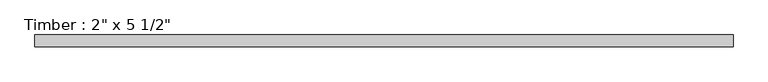
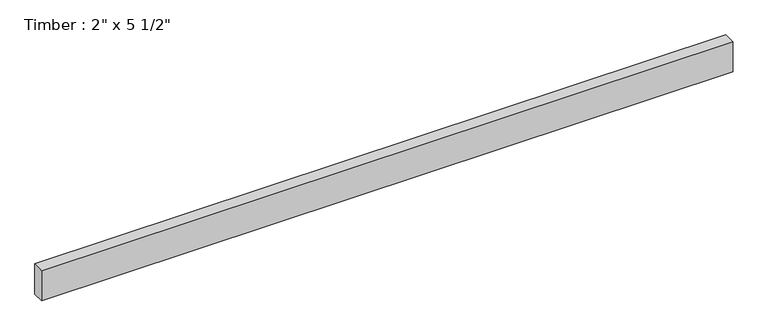
"""IFC4 building model written with IfcOpenShell, lengths in millimetres: beam geometry."""

import ifcopenshell
import ifcopenshell.guid

model = None  # the IFC model being written
_history = None  # IfcOwnerHistory: only IFC2X3 demands one
_inside = {}  # id of a spatial element -> (the spatial element, [elements in it])
_under = {}  # id of a project, library or spatial element -> (it, [spatial elements below it])
_declared = {}  # id of a project -> (the project, [libraries it declares])
_typed = {}  # id of a type object -> (the type object, [elements of that type])
_made_of = {}  # id of a material, layer set ... -> (it, [elements and type objects made of it])


def new_model(schema):
    """Start an empty IFC model of exactly this schema.

    Asked for "IFC4X3", IfcOpenShell would pick the latest addendum, in which some entities
    have other attributes; the version numbers below select the first issue.
    IFC2X3 requires an IfcOwnerHistory on every rooted entity: one is made here for all.
    """
    global model, _history
    if schema == "IFC4X3":
        model = ifcopenshell.file(schema_version=(4, 3, 0, 0))
    else:
        model = ifcopenshell.file(schema=schema)
    _inside.clear()
    _under.clear()
    _declared.clear()
    _typed.clear()
    _made_of.clear()
    _history = None
    if model.schema == "IFC2X3":
        org = make("IfcOrganization", Name="unknown")
        user = make(
            "IfcPersonAndOrganization",
            ThePerson=make("IfcPerson", FamilyName="unknown"),
            TheOrganization=org,
        )
        app = make(
            "IfcApplication",
            ApplicationDeveloper=org,
            Version="unknown",
            ApplicationFullName="unknown",
            ApplicationIdentifier="unknown",
        )
        _history = make(
            "IfcOwnerHistory",
            OwningUser=user,
            OwningApplication=app,
            ChangeAction="ADDED",
            CreationDate=0,
        )
    return model


def make(cls, **values):
    """One entity of the class cls with the attributes given. An attribute that is None is left unset."""
    return model.create_entity(
        cls, **{name: value for name, value in values.items() if value is not None}
    )


def rooted(cls, **values):
    """An entity with a GlobalId (a new one), such as an element, a storey or a relation."""
    return make(cls, GlobalId=ifcopenshell.guid.new(), OwnerHistory=_history, **values)


def si_unit(unit_type, name, prefix=None):
    """IfcSIUnit, for example si_unit("LENGTHUNIT", "METRE", prefix="MILLI")."""
    return make("IfcSIUnit", UnitType=unit_type, Prefix=prefix, Name=name)


def assignment(units):
    """IfcUnitAssignment: the units of a project."""
    return None if units is None else make("IfcUnitAssignment", Units=units)


def point(xyz):
    """IfcCartesianPoint."""
    return None if xyz is None else make("IfcCartesianPoint", Coordinates=xyz)


def direction(xyz):
    """IfcDirection."""
    return None if xyz is None else make("IfcDirection", DirectionRatios=xyz)


def frame(location, z_axis=None, x_axis=None):
    """IfcAxis2Placement3D, a coordinate frame: its origin and axes. An axis left out is left unset."""
    return make(
        "IfcAxis2Placement3D",
        Location=point(location),
        Axis=direction(z_axis),
        RefDirection=direction(x_axis),
    )


def origin():
    """The frame at (0, 0, 0) with its axes left unset."""
    return frame((0.0, 0.0, 0.0))


def place(relative_to, where):
    """IfcLocalPlacement: puts the frame where relative to a parent placement (None: the world)."""
    return make(
        "IfcLocalPlacement", PlacementRelTo=relative_to, RelativePlacement=where
    )


def context(
    kind, dimensions, precision=None, world=None, true_north=None, identifier=None
):
    """IfcGeometricRepresentationContext, for example the 3D "Model" context."""
    return make(
        "IfcGeometricRepresentationContext",
        ContextIdentifier=identifier,
        ContextType=kind,
        CoordinateSpaceDimension=dimensions,
        Precision=precision,
        WorldCoordinateSystem=world,
        TrueNorth=true_north,
    )


def project(units=None, contexts=None):
    """IfcProject with its units and contexts."""
    return rooted(
        "IfcProject",
        Name="project",
        RepresentationContexts=contexts,
        UnitsInContext=assignment(units),
    )


def spatial(cls, under=None, at=None, **own):
    """A site, building, storey or space (cls), placed at a placement, below another one or the project."""
    s = rooted(cls, ObjectPlacement=at, **own)
    if under is not None:
        _under.setdefault(under.id(), (under, []))[1].append(s)
    return s


def polyline(points):
    """IfcPolyline through the points."""
    return make("IfcPolyline", Points=[point(p) for p in points])


def outline(outer, holes=None, kind="AREA"):
    """IfcArbitraryClosedProfileDef: a profile drawn as a closed curve; with holes, ...WithVoids."""
    if holes is None:
        return make("IfcArbitraryClosedProfileDef", ProfileType=kind, OuterCurve=outer)
    return make(
        "IfcArbitraryProfileDefWithVoids",
        ProfileType=kind,
        OuterCurve=outer,
        InnerCurves=holes,
    )


def extrude(swept, where, along, depth):
    """IfcExtrudedAreaSolid: the profile swept, set in the frame where, extruded along a direction by depth."""
    return make(
        "IfcExtrudedAreaSolid",
        SweptArea=swept,
        Position=where,
        ExtrudedDirection=direction(along),
        Depth=depth,
    )


def shape(context_of_items, identifier, shape_type, items):
    """IfcShapeRepresentation: the items that make up one representation, for example the "Body"."""
    return make(
        "IfcShapeRepresentation",
        ContextOfItems=context_of_items,
        RepresentationIdentifier=identifier,
        RepresentationType=shape_type,
        Items=items,
    )


def source(mapping_origin, context_of_items, identifier, shape_type, items):
    """IfcRepresentationMap: a shape defined once, which mapped items show again and again."""
    return make(
        "IfcRepresentationMap",
        MappingOrigin=mapping_origin,
        MappedRepresentation=shape(context_of_items, identifier, shape_type, items),
    )


def transform(
    local_origin,
    x_axis=None,
    y_axis=None,
    z_axis=None,
    scale=None,
    scale2=None,
    scale3=None,
    uniform=True,
):
    """IfcCartesianTransformationOperator3D, or its non-uniform kind. x_axis, y_axis, z_axis: its Axis1, 2, 3."""
    if uniform:
        return make(
            "IfcCartesianTransformationOperator3D",
            Axis1=direction(x_axis),
            Axis2=direction(y_axis),
            LocalOrigin=point(local_origin),
            Scale=scale,
            Axis3=direction(z_axis),
        )
    return make(
        "IfcCartesianTransformationOperator3DnonUniform",
        Axis1=direction(x_axis),
        Axis2=direction(y_axis),
        LocalOrigin=point(local_origin),
        Scale=scale,
        Axis3=direction(z_axis),
        Scale2=scale2,
        Scale3=scale3,
    )


def mapped(mapping_source, mapping_target):
    """IfcMappedItem: shows the shape of a source again, moved by a transform."""
    return make(
        "IfcMappedItem", MappingSource=mapping_source, MappingTarget=mapping_target
    )


def made_of(thing, what):
    """Note that an element or type object is made of a material, layer set ...; save() writes the relation."""
    if what is not None:
        _made_of.setdefault(what.id(), (what, []))[1].append(thing)
    return thing


def element(
    cls,
    number,
    at=None,
    inside=None,
    cuts=None,
    type_object=None,
    material=None,
    context=None,
    identifier="Body",
    shape_type=None,
    held_by="IfcProductDefinitionShape",
    body=None,
    shapes=None,
    **own,
):
    """One element of the class cls, such as IfcWall. Its Tag is "e" and its number.

    at: its placement. inside: the storey or other place that contains it. cuts: it is an
    opening in that element (IfcRelVoidsElement). A single representation is given by context,
    identifier, shape_type and body (its items); several are given by shapes. held_by: the class
    of the entity that holds the representations. save() writes the other relations.
    """
    e = rooted(cls, Tag="e%d" % number, ObjectPlacement=at, **own)
    if body is not None:
        shapes = [shape(context, identifier, shape_type, body)]
    if shapes is not None:
        e.Representation = make(held_by, Representations=shapes)
    if inside is not None:
        _inside.setdefault(inside.id(), (inside, []))[1].append(e)
    if cuts is not None:
        rooted(
            "IfcRelVoidsElement", RelatingBuildingElement=cuts, RelatedOpeningElement=e
        )
    if type_object is not None:
        _typed.setdefault(type_object.id(), (type_object, []))[1].append(e)
    return made_of(e, material)


def aggregate(whole, parts):
    """IfcRelAggregates: a whole, such as a stair, and the parts it consists of."""
    return rooted("IfcRelAggregates", RelatingObject=whole, RelatedObjects=parts)


def save(model, path):
    """Write the relations noted so far, then the file.

    IfcRelAggregates (storeys below a building ...), IfcRelContainedInSpatialStructure (elements
    in a storey), IfcRelDefinesByType, IfcRelAssociatesMaterial and IfcRelDeclares: one each for
    every whole, place, type object, material and project.
    """
    for whole, parts in _under.values():
        aggregate(whole, parts)
    for where, things in _inside.values():
        rooted(
            "IfcRelContainedInSpatialStructure",
            RelatedElements=things,
            RelatingStructure=where,
        )
    for kind, things in _typed.values():
        rooted("IfcRelDefinesByType", RelatedObjects=things, RelatingType=kind)
    for what, things in _made_of.values():
        rooted("IfcRelAssociatesMaterial", RelatedObjects=things, RelatingMaterial=what)
    for by, libraries in _declared.values():
        rooted("IfcRelDeclares", RelatingContext=by, RelatedDefinitions=libraries)
    model.write(path)


def beam_ab2764d1(model_context):
    return source(origin(), model_context, "Body", "SweptSolid", [
        extrude(outline(polyline([(1503.8704178, 25.4), (1503.8704178, -25.4), (-1503.8704178, -25.4), (-1503.8704178, 25.4), (1503.8704178, 25.4)])), frame((0.0, 0.0, -69.85), z_axis=(0.0, 0.0, 1.0), x_axis=(1.0, 0.0, 0.0)), (0.0, 0.0, 1.0), 139.7),
    ])


if __name__ == "__main__":
    model = new_model("IFC4")
    model_context = context("Model", 3, world=origin())
    ifc_project = project(units=[si_unit("LENGTHUNIT", "METRE", prefix="MILLI")], contexts=[model_context])
    site = spatial("IfcSite", under=ifc_project)
    building = spatial("IfcBuilding", under=site)
    placement = place(None, origin())
    beam_shape = beam_ab2764d1(model_context)
    element("IfcBeam", 1, ObjectType="Timber : 2\" x 5 1/2\"", at=placement, inside=building, context=model_context, shape_type="MappedRepresentation", body=[
        mapped(beam_shape, transform((0.0, 0.0, 0.0), x_axis=(1.0, 0.0, 0.0), y_axis=(0.0, 1.0, 0.0), z_axis=(0.0, 0.0, 1.0))),
    ])
    save(model, "model.ifc")
